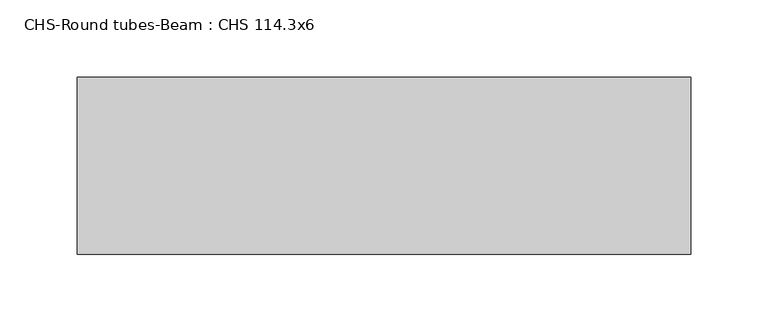
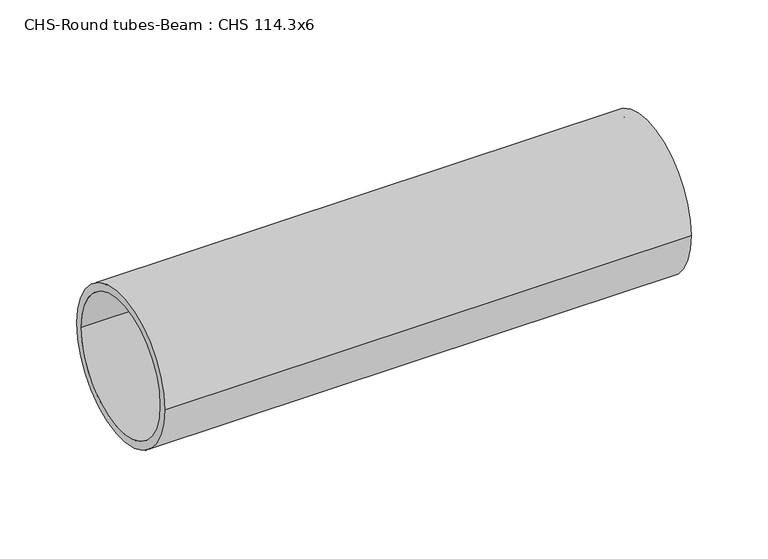
"""IFC4 building model written with IfcOpenShell, lengths in millimetres: beam geometry, CHS-Round tubes-Beam : CHS 114.3x6."""

from ifc_helpers import new_model, si_unit, point, frame, origin, origin_2d, place, context, project, spatial, circle_curve, trimmed, segment, composite_curve, outline, extrude, source, transform, mapped, element, save


def chs_round_tubes_beam_chs_114_3x6_7975e20d(model_context):
    return source(origin(), model_context, "Body", "SweptSolid", [
        extrude(outline(composite_curve([segment(trimmed(circle_curve(origin_2d(), 57.15), [point((57.15, 0.0))], [point((-57.15, 0.0))], False, "CARTESIAN"), True, "CONTINUOUS"), segment(trimmed(circle_curve(origin_2d(), 57.15), [point((-57.15, 0.0))], [point((57.15, 0.0))], False, "CARTESIAN"), True, "CONTINUOUS")], self_intersect=False), holes=[composite_curve([segment(trimmed(circle_curve(origin_2d(), 51.15), [point((51.15, 0.0))], [point((-51.15, 0.0))], True, "CARTESIAN"), True, "CONTINUOUS"), segment(trimmed(circle_curve(origin_2d(), 51.15), [point((-51.15, 0.0))], [point((51.15, 0.0))], True, "CARTESIAN"), True, "CONTINUOUS")], self_intersect=False)]), frame((-261.8453927, 0.0, 0.0), z_axis=(1.0, 0.0, 0.0), x_axis=(0.0, 1.0, 0.0)), (0.0, 0.0, 1.0), 395.8514595),
    ])


if __name__ == "__main__":
    model = new_model("IFC4")
    model_context = context("Model", 3, world=origin())
    ifc_project = project(units=[si_unit("LENGTHUNIT", "METRE", prefix="MILLI")], contexts=[model_context])
    site = spatial("IfcSite", under=ifc_project)
    building = spatial("IfcBuilding", under=site)
    placement = place(None, origin())
    chs_round_tubes_beam_chs_114_3x6_shape = chs_round_tubes_beam_chs_114_3x6_7975e20d(model_context)
    element("IfcBeam", 1, ObjectType="CHS-Round tubes-Beam : CHS 114.3x6", at=placement, inside=building, context=model_context, shape_type="MappedRepresentation", body=[
        mapped(chs_round_tubes_beam_chs_114_3x6_shape, transform((0.0, 0.0, 0.0), x_axis=(1.0, 0.0, 0.0), y_axis=(0.0, 1.0, 0.0), z_axis=(0.0, 0.0, 1.0))),
    ])
    save(model, "model.ifc")
